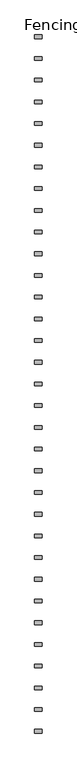
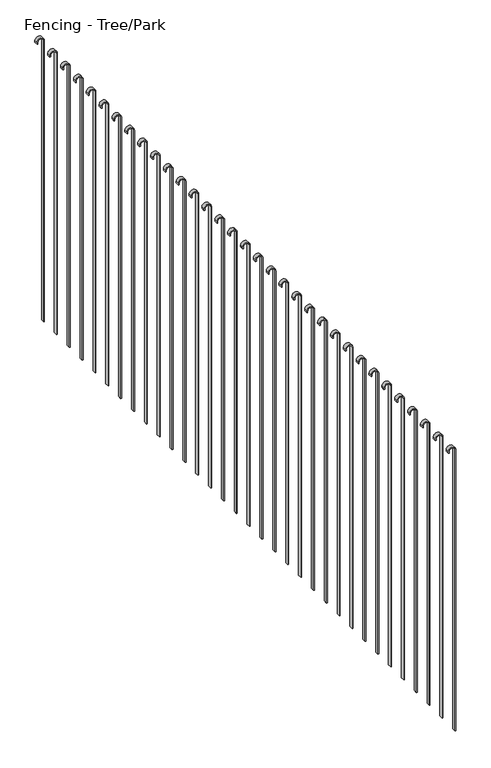
"""IFC4 building model written with IfcOpenShell, lengths in millimetres: railing geometry, Fencing - Tree/Park."""

from ifc_helpers import new_model, si_unit, point, frame, frame_2d, origin, place, context, project, spatial, polyline, circle_curve, trimmed, segment, composite_curve, outline, extrude, source, transform, mapped, element, save


def fencing_tree_park_e59613ba(model_context):
    return source(origin(), model_context, "Body", "SweptSolid", [
        extrude(outline(composite_curve([segment(trimmed(circle_curve(frame_2d((2050.0, 92317.6374119)), 25.0), [point((2050.0, 92342.6374119))], [point((2050.0, 92292.6374119))], False, "CARTESIAN"), True, "CONTINUOUS"), segment(polyline([(2050.0, 92292.6374119), (2040.0, 92292.6374119), (2040.0, 92297.6374119), (2050.0, 92297.6374119)]), True, "CONTINUOUS"), segment(trimmed(circle_curve(frame_2d((2050.0, 92317.6374119)), 20.0), [point((2050.0, 92297.6374119))], [point((2050.0, 92337.6374119))], True, "CARTESIAN"), True, "CONTINUOUS"), segment(polyline([(2050.0, 92337.6374119), (50.0, 92337.6374119), (50.0, 92342.6374119), (2050.0, 92342.6374119)]), True, "CONTINUOUS")], self_intersect=False)), frame((0.0, 55354.8438466, 0.0), z_axis=(0.0, 1.0, 0.0), x_axis=(0.0, 0.0, 1.0)), (0.0, 0.0, 1.0), 25.0),
        extrude(outline(composite_curve([segment(trimmed(circle_curve(frame_2d((2050.0, 92317.6374119)), 25.0), [point((2050.0, 92342.6374119))], [point((2050.0, 92292.6374119))], False, "CARTESIAN"), True, "CONTINUOUS"), segment(polyline([(2050.0, 92292.6374119), (2040.0, 92292.6374119), (2040.0, 92297.6374119), (2050.0, 92297.6374119)]), True, "CONTINUOUS"), segment(trimmed(circle_curve(frame_2d((2050.0, 92317.6374119)), 20.0), [point((2050.0, 92297.6374119))], [point((2050.0, 92337.6374119))], True, "CARTESIAN"), True, "CONTINUOUS"), segment(polyline([(2050.0, 92337.6374119), (50.0, 92337.6374119), (50.0, 92342.6374119), (2050.0, 92342.6374119)]), True, "CONTINUOUS")], self_intersect=False)), frame((0.0, 55204.8438466, 0.0), z_axis=(0.0, 1.0, 0.0), x_axis=(0.0, 0.0, 1.0)), (0.0, 0.0, 1.0), 25.0),
        extrude(outline(composite_curve([segment(trimmed(circle_curve(frame_2d((2050.0, 92317.6374119)), 25.0), [point((2050.0, 92342.6374119))], [point((2050.0, 92292.6374119))], False, "CARTESIAN"), True, "CONTINUOUS"), segment(polyline([(2050.0, 92292.6374119), (2040.0, 92292.6374119), (2040.0, 92297.6374119), (2050.0, 92297.6374119)]), True, "CONTINUOUS"), segment(trimmed(circle_curve(frame_2d((2050.0, 92317.6374119)), 20.0), [point((2050.0, 92297.6374119))], [point((2050.0, 92337.6374119))], True, "CARTESIAN"), True, "CONTINUOUS"), segment(polyline([(2050.0, 92337.6374119), (50.0, 92337.6374119), (50.0, 92342.6374119), (2050.0, 92342.6374119)]), True, "CONTINUOUS")], self_intersect=False)), frame((0.0, 55054.8438466, 0.0), z_axis=(0.0, 1.0, 0.0), x_axis=(0.0, 0.0, 1.0)), (0.0, 0.0, 1.0), 25.0),
        extrude(outline(composite_curve([segment(trimmed(circle_curve(frame_2d((2050.0, 92317.6374119)), 25.0), [point((2050.0, 92342.6374119))], [point((2050.0, 92292.6374119))], False, "CARTESIAN"), True, "CONTINUOUS"), segment(polyline([(2050.0, 92292.6374119), (2040.0, 92292.6374119), (2040.0, 92297.6374119), (2050.0, 92297.6374119)]), True, "CONTINUOUS"), segment(trimmed(circle_curve(frame_2d((2050.0, 92317.6374119)), 20.0), [point((2050.0, 92297.6374119))], [point((2050.0, 92337.6374119))], True, "CARTESIAN"), True, "CONTINUOUS"), segment(polyline([(2050.0, 92337.6374119), (50.0, 92337.6374119), (50.0, 92342.6374119), (2050.0, 92342.6374119)]), True, "CONTINUOUS")], self_intersect=False)), frame((0.0, 54904.8438466, 0.0), z_axis=(0.0, 1.0, 0.0), x_axis=(0.0, 0.0, 1.0)), (0.0, 0.0, 1.0), 25.0),
        extrude(outline(composite_curve([segment(trimmed(circle_curve(frame_2d((2050.0, 92317.6374119)), 25.0), [point((2050.0, 92342.6374119))], [point((2050.0, 92292.6374119))], False, "CARTESIAN"), True, "CONTINUOUS"), segment(polyline([(2050.0, 92292.6374119), (2040.0, 92292.6374119), (2040.0, 92297.6374119), (2050.0, 92297.6374119)]), True, "CONTINUOUS"), segment(trimmed(circle_curve(frame_2d((2050.0, 92317.6374119)), 20.0), [point((2050.0, 92297.6374119))], [point((2050.0, 92337.6374119))], True, "CARTESIAN"), True, "CONTINUOUS"), segment(polyline([(2050.0, 92337.6374119), (50.0, 92337.6374119), (50.0, 92342.6374119), (2050.0, 92342.6374119)]), True, "CONTINUOUS")], self_intersect=False)), frame((0.0, 54754.8438466, 0.0), z_axis=(0.0, 1.0, 0.0), x_axis=(0.0, 0.0, 1.0)), (0.0, 0.0, 1.0), 25.0),
        extrude(outline(composite_curve([segment(trimmed(circle_curve(frame_2d((2050.0, 92317.6374119)), 25.0), [point((2050.0, 92342.6374119))], [point((2050.0, 92292.6374119))], False, "CARTESIAN"), True, "CONTINUOUS"), segment(polyline([(2050.0, 92292.6374119), (2040.0, 92292.6374119), (2040.0, 92297.6374119), (2050.0, 92297.6374119)]), True, "CONTINUOUS"), segment(trimmed(circle_curve(frame_2d((2050.0, 92317.6374119)), 20.0), [point((2050.0, 92297.6374119))], [point((2050.0, 92337.6374119))], True, "CARTESIAN"), True, "CONTINUOUS"), segment(polyline([(2050.0, 92337.6374119), (50.0, 92337.6374119), (50.0, 92342.6374119), (2050.0, 92342.6374119)]), True, "CONTINUOUS")], self_intersect=False)), frame((0.0, 54604.8438466, 0.0), z_axis=(0.0, 1.0, 0.0), x_axis=(0.0, 0.0, 1.0)), (0.0, 0.0, 1.0), 25.0),
        extrude(outline(composite_curve([segment(trimmed(circle_curve(frame_2d((2050.0, 92317.6374119)), 25.0), [point((2050.0, 92342.6374119))], [point((2050.0, 92292.6374119))], False, "CARTESIAN"), True, "CONTINUOUS"), segment(polyline([(2050.0, 92292.6374119), (2040.0, 92292.6374119), (2040.0, 92297.6374119), (2050.0, 92297.6374119)]), True, "CONTINUOUS"), segment(trimmed(circle_curve(frame_2d((2050.0, 92317.6374119)), 20.0), [point((2050.0, 92297.6374119))], [point((2050.0, 92337.6374119))], True, "CARTESIAN"), True, "CONTINUOUS"), segment(polyline([(2050.0, 92337.6374119), (50.0, 92337.6374119), (50.0, 92342.6374119), (2050.0, 92342.6374119)]), True, "CONTINUOUS")], self_intersect=False)), frame((0.0, 54454.8438466, 0.0), z_axis=(0.0, 1.0, 0.0), x_axis=(0.0, 0.0, 1.0)), (0.0, 0.0, 1.0), 25.0),
        extrude(outline(composite_curve([segment(trimmed(circle_curve(frame_2d((2050.0, 92317.6374119)), 25.0), [point((2050.0, 92342.6374119))], [point((2050.0, 92292.6374119))], False, "CARTESIAN"), True, "CONTINUOUS"), segment(polyline([(2050.0, 92292.6374119), (2040.0, 92292.6374119), (2040.0, 92297.6374119), (2050.0, 92297.6374119)]), True, "CONTINUOUS"), segment(trimmed(circle_curve(frame_2d((2050.0, 92317.6374119)), 20.0), [point((2050.0, 92297.6374119))], [point((2050.0, 92337.6374119))], True, "CARTESIAN"), True, "CONTINUOUS"), segment(polyline([(2050.0, 92337.6374119), (50.0, 92337.6374119), (50.0, 92342.6374119), (2050.0, 92342.6374119)]), True, "CONTINUOUS")], self_intersect=False)), frame((0.0, 54304.8438466, 0.0), z_axis=(0.0, 1.0, 0.0), x_axis=(0.0, 0.0, 1.0)), (0.0, 0.0, 1.0), 25.0),
        extrude(outline(composite_curve([segment(trimmed(circle_curve(frame_2d((2050.0, 92317.6374119)), 25.0), [point((2050.0, 92342.6374119))], [point((2050.0, 92292.6374119))], False, "CARTESIAN"), True, "CONTINUOUS"), segment(polyline([(2050.0, 92292.6374119), (2040.0, 92292.6374119), (2040.0, 92297.6374119), (2050.0, 92297.6374119)]), True, "CONTINUOUS"), segment(trimmed(circle_curve(frame_2d((2050.0, 92317.6374119)), 20.0), [point((2050.0, 92297.6374119))], [point((2050.0, 92337.6374119))], True, "CARTESIAN"), True, "CONTINUOUS"), segment(polyline([(2050.0, 92337.6374119), (50.0, 92337.6374119), (50.0, 92342.6374119), (2050.0, 92342.6374119)]), True, "CONTINUOUS")], self_intersect=False)), frame((0.0, 54154.8438466, 0.0), z_axis=(0.0, 1.0, 0.0), x_axis=(0.0, 0.0, 1.0)), (0.0, 0.0, 1.0), 25.0),
        extrude(outline(composite_curve([segment(trimmed(circle_curve(frame_2d((2050.0, 92317.6374119)), 25.0), [point((2050.0, 92342.6374119))], [point((2050.0, 92292.6374119))], False, "CARTESIAN"), True, "CONTINUOUS"), segment(polyline([(2050.0, 92292.6374119), (2040.0, 92292.6374119), (2040.0, 92297.6374119), (2050.0, 92297.6374119)]), True, "CONTINUOUS"), segment(trimmed(circle_curve(frame_2d((2050.0, 92317.6374119)), 20.0), [point((2050.0, 92297.6374119))], [point((2050.0, 92337.6374119))], True, "CARTESIAN"), True, "CONTINUOUS"), segment(polyline([(2050.0, 92337.6374119), (50.0, 92337.6374119), (50.0, 92342.6374119), (2050.0, 92342.6374119)]), True, "CONTINUOUS")], self_intersect=False)), frame((0.0, 54004.8438466, 0.0), z_axis=(0.0, 1.0, 0.0), x_axis=(0.0, 0.0, 1.0)), (0.0, 0.0, 1.0), 25.0),
        extrude(outline(composite_curve([segment(trimmed(circle_curve(frame_2d((2050.0, 92317.6374119)), 25.0), [point((2050.0, 92342.6374119))], [point((2050.0, 92292.6374119))], False, "CARTESIAN"), True, "CONTINUOUS"), segment(polyline([(2050.0, 92292.6374119), (2040.0, 92292.6374119), (2040.0, 92297.6374119), (2050.0, 92297.6374119)]), True, "CONTINUOUS"), segment(trimmed(circle_curve(frame_2d((2050.0, 92317.6374119)), 20.0), [point((2050.0, 92297.6374119))], [point((2050.0, 92337.6374119))], True, "CARTESIAN"), True, "CONTINUOUS"), segment(polyline([(2050.0, 92337.6374119), (50.0, 92337.6374119), (50.0, 92342.6374119), (2050.0, 92342.6374119)]), True, "CONTINUOUS")], self_intersect=False)), frame((0.0, 53854.8438466, 0.0), z_axis=(0.0, 1.0, 0.0), x_axis=(0.0, 0.0, 1.0)), (0.0, 0.0, 1.0), 25.0),
        extrude(outline(composite_curve([segment(trimmed(circle_curve(frame_2d((2050.0, 92317.6374119)), 25.0), [point((2050.0, 92342.6374119))], [point((2050.0, 92292.6374119))], False, "CARTESIAN"), True, "CONTINUOUS"), segment(polyline([(2050.0, 92292.6374119), (2040.0, 92292.6374119), (2040.0, 92297.6374119), (2050.0, 92297.6374119)]), True, "CONTINUOUS"), segment(trimmed(circle_curve(frame_2d((2050.0, 92317.6374119)), 20.0), [point((2050.0, 92297.6374119))], [point((2050.0, 92337.6374119))], True, "CARTESIAN"), True, "CONTINUOUS"), segment(polyline([(2050.0, 92337.6374119), (50.0, 92337.6374119), (50.0, 92342.6374119), (2050.0, 92342.6374119)]), True, "CONTINUOUS")], self_intersect=False)), frame((0.0, 53704.8438466, 0.0), z_axis=(0.0, 1.0, 0.0), x_axis=(0.0, 0.0, 1.0)), (0.0, 0.0, 1.0), 25.0),
        extrude(outline(composite_curve([segment(trimmed(circle_curve(frame_2d((2050.0, 92317.6374119)), 25.0), [point((2050.0, 92342.6374119))], [point((2050.0, 92292.6374119))], False, "CARTESIAN"), True, "CONTINUOUS"), segment(polyline([(2050.0, 92292.6374119), (2040.0, 92292.6374119), (2040.0, 92297.6374119), (2050.0, 92297.6374119)]), True, "CONTINUOUS"), segment(trimmed(circle_curve(frame_2d((2050.0, 92317.6374119)), 20.0), [point((2050.0, 92297.6374119))], [point((2050.0, 92337.6374119))], True, "CARTESIAN"), True, "CONTINUOUS"), segment(polyline([(2050.0, 92337.6374119), (50.0, 92337.6374119), (50.0, 92342.6374119), (2050.0, 92342.6374119)]), True, "CONTINUOUS")], self_intersect=False)), frame((0.0, 53554.8438466, 0.0), z_axis=(0.0, 1.0, 0.0), x_axis=(0.0, 0.0, 1.0)), (0.0, 0.0, 1.0), 25.0),
        extrude(outline(composite_curve([segment(trimmed(circle_curve(frame_2d((2050.0, 92317.6374119)), 25.0), [point((2050.0, 92342.6374119))], [point((2050.0, 92292.6374119))], False, "CARTESIAN"), True, "CONTINUOUS"), segment(polyline([(2050.0, 92292.6374119), (2040.0, 92292.6374119), (2040.0, 92297.6374119), (2050.0, 92297.6374119)]), True, "CONTINUOUS"), segment(trimmed(circle_curve(frame_2d((2050.0, 92317.6374119)), 20.0), [point((2050.0, 92297.6374119))], [point((2050.0, 92337.6374119))], True, "CARTESIAN"), True, "CONTINUOUS"), segment(polyline([(2050.0, 92337.6374119), (50.0, 92337.6374119), (50.0, 92342.6374119), (2050.0, 92342.6374119)]), True, "CONTINUOUS")], self_intersect=False)), frame((0.0, 53404.8438466, 0.0), z_axis=(0.0, 1.0, 0.0), x_axis=(0.0, 0.0, 1.0)), (0.0, 0.0, 1.0), 25.0),
        extrude(outline(composite_curve([segment(trimmed(circle_curve(frame_2d((2050.0, 92317.6374119)), 25.0), [point((2050.0, 92342.6374119))], [point((2050.0, 92292.6374119))], False, "CARTESIAN"), True, "CONTINUOUS"), segment(polyline([(2050.0, 92292.6374119), (2040.0, 92292.6374119), (2040.0, 92297.6374119), (2050.0, 92297.6374119)]), True, "CONTINUOUS"), segment(trimmed(circle_curve(frame_2d((2050.0, 92317.6374119)), 20.0), [point((2050.0, 92297.6374119))], [point((2050.0, 92337.6374119))], True, "CARTESIAN"), True, "CONTINUOUS"), segment(polyline([(2050.0, 92337.6374119), (50.0, 92337.6374119), (50.0, 92342.6374119), (2050.0, 92342.6374119)]), True, "CONTINUOUS")], self_intersect=False)), frame((0.0, 53254.8438466, 0.0), z_axis=(0.0, 1.0, 0.0), x_axis=(0.0, 0.0, 1.0)), (0.0, 0.0, 1.0), 25.0),
        extrude(outline(composite_curve([segment(trimmed(circle_curve(frame_2d((2050.0, 92317.6374119)), 25.0), [point((2050.0, 92342.6374119))], [point((2050.0, 92292.6374119))], False, "CARTESIAN"), True, "CONTINUOUS"), segment(polyline([(2050.0, 92292.6374119), (2040.0, 92292.6374119), (2040.0, 92297.6374119), (2050.0, 92297.6374119)]), True, "CONTINUOUS"), segment(trimmed(circle_curve(frame_2d((2050.0, 92317.6374119)), 20.0), [point((2050.0, 92297.6374119))], [point((2050.0, 92337.6374119))], True, "CARTESIAN"), True, "CONTINUOUS"), segment(polyline([(2050.0, 92337.6374119), (50.0, 92337.6374119), (50.0, 92342.6374119), (2050.0, 92342.6374119)]), True, "CONTINUOUS")], self_intersect=False)), frame((0.0, 53104.8438466, 0.0), z_axis=(0.0, 1.0, 0.0), x_axis=(0.0, 0.0, 1.0)), (0.0, 0.0, 1.0), 25.0),
        extrude(outline(composite_curve([segment(trimmed(circle_curve(frame_2d((2050.0, 92317.6374119)), 25.0), [point((2050.0, 92342.6374119))], [point((2050.0, 92292.6374119))], False, "CARTESIAN"), True, "CONTINUOUS"), segment(polyline([(2050.0, 92292.6374119), (2040.0, 92292.6374119), (2040.0, 92297.6374119), (2050.0, 92297.6374119)]), True, "CONTINUOUS"), segment(trimmed(circle_curve(frame_2d((2050.0, 92317.6374119)), 20.0), [point((2050.0, 92297.6374119))], [point((2050.0, 92337.6374119))], True, "CARTESIAN"), True, "CONTINUOUS"), segment(polyline([(2050.0, 92337.6374119), (50.0, 92337.6374119), (50.0, 92342.6374119), (2050.0, 92342.6374119)]), True, "CONTINUOUS")], self_intersect=False)), frame((0.0, 52954.8438466, 0.0), z_axis=(0.0, 1.0, 0.0), x_axis=(0.0, 0.0, 1.0)), (0.0, 0.0, 1.0), 25.0),
        extrude(outline(composite_curve([segment(trimmed(circle_curve(frame_2d((2050.0, 92317.6374119)), 25.0), [point((2050.0, 92342.6374119))], [point((2050.0, 92292.6374119))], False, "CARTESIAN"), True, "CONTINUOUS"), segment(polyline([(2050.0, 92292.6374119), (2040.0, 92292.6374119), (2040.0, 92297.6374119), (2050.0, 92297.6374119)]), True, "CONTINUOUS"), segment(trimmed(circle_curve(frame_2d((2050.0, 92317.6374119)), 20.0), [point((2050.0, 92297.6374119))], [point((2050.0, 92337.6374119))], True, "CARTESIAN"), True, "CONTINUOUS"), segment(polyline([(2050.0, 92337.6374119), (50.0, 92337.6374119), (50.0, 92342.6374119), (2050.0, 92342.6374119)]), True, "CONTINUOUS")], self_intersect=False)), frame((0.0, 52804.8438466, 0.0), z_axis=(0.0, 1.0, 0.0), x_axis=(0.0, 0.0, 1.0)), (0.0, 0.0, 1.0), 25.0),
        extrude(outline(composite_curve([segment(trimmed(circle_curve(frame_2d((2050.0, 92317.6374119)), 25.0), [point((2050.0, 92342.6374119))], [point((2050.0, 92292.6374119))], False, "CARTESIAN"), True, "CONTINUOUS"), segment(polyline([(2050.0, 92292.6374119), (2040.0, 92292.6374119), (2040.0, 92297.6374119), (2050.0, 92297.6374119)]), True, "CONTINUOUS"), segment(trimmed(circle_curve(frame_2d((2050.0, 92317.6374119)), 20.0), [point((2050.0, 92297.6374119))], [point((2050.0, 92337.6374119))], True, "CARTESIAN"), True, "CONTINUOUS"), segment(polyline([(2050.0, 92337.6374119), (50.0, 92337.6374119), (50.0, 92342.6374119), (2050.0, 92342.6374119)]), True, "CONTINUOUS")], self_intersect=False)), frame((0.0, 52654.8438466, 0.0), z_axis=(0.0, 1.0, 0.0), x_axis=(0.0, 0.0, 1.0)), (0.0, 0.0, 1.0), 25.0),
        extrude(outline(composite_curve([segment(trimmed(circle_curve(frame_2d((2050.0, 92317.6374119)), 25.0), [point((2050.0, 92342.6374119))], [point((2050.0, 92292.6374119))], False, "CARTESIAN"), True, "CONTINUOUS"), segment(polyline([(2050.0, 92292.6374119), (2040.0, 92292.6374119), (2040.0, 92297.6374119), (2050.0, 92297.6374119)]), True, "CONTINUOUS"), segment(trimmed(circle_curve(frame_2d((2050.0, 92317.6374119)), 20.0), [point((2050.0, 92297.6374119))], [point((2050.0, 92337.6374119))], True, "CARTESIAN"), True, "CONTINUOUS"), segment(polyline([(2050.0, 92337.6374119), (50.0, 92337.6374119), (50.0, 92342.6374119), (2050.0, 92342.6374119)]), True, "CONTINUOUS")], self_intersect=False)), frame((0.0, 52504.8438466, 0.0), z_axis=(0.0, 1.0, 0.0), x_axis=(0.0, 0.0, 1.0)), (0.0, 0.0, 1.0), 25.0),
        extrude(outline(composite_curve([segment(trimmed(circle_curve(frame_2d((2050.0, 92317.6374119)), 25.0), [point((2050.0, 92342.6374119))], [point((2050.0, 92292.6374119))], False, "CARTESIAN"), True, "CONTINUOUS"), segment(polyline([(2050.0, 92292.6374119), (2040.0, 92292.6374119), (2040.0, 92297.6374119), (2050.0, 92297.6374119)]), True, "CONTINUOUS"), segment(trimmed(circle_curve(frame_2d((2050.0, 92317.6374119)), 20.0), [point((2050.0, 92297.6374119))], [point((2050.0, 92337.6374119))], True, "CARTESIAN"), True, "CONTINUOUS"), segment(polyline([(2050.0, 92337.6374119), (50.0, 92337.6374119), (50.0, 92342.6374119), (2050.0, 92342.6374119)]), True, "CONTINUOUS")], self_intersect=False)), frame((0.0, 52354.8438466, 0.0), z_axis=(0.0, 1.0, 0.0), x_axis=(0.0, 0.0, 1.0)), (0.0, 0.0, 1.0), 25.0),
        extrude(outline(composite_curve([segment(trimmed(circle_curve(frame_2d((2050.0, 92317.6374119)), 25.0), [point((2050.0, 92342.6374119))], [point((2050.0, 92292.6374119))], False, "CARTESIAN"), True, "CONTINUOUS"), segment(polyline([(2050.0, 92292.6374119), (2040.0, 92292.6374119), (2040.0, 92297.6374119), (2050.0, 92297.6374119)]), True, "CONTINUOUS"), segment(trimmed(circle_curve(frame_2d((2050.0, 92317.6374119)), 20.0), [point((2050.0, 92297.6374119))], [point((2050.0, 92337.6374119))], True, "CARTESIAN"), True, "CONTINUOUS"), segment(polyline([(2050.0, 92337.6374119), (50.0, 92337.6374119), (50.0, 92342.6374119), (2050.0, 92342.6374119)]), True, "CONTINUOUS")], self_intersect=False)), frame((0.0, 52204.8438466, 0.0), z_axis=(0.0, 1.0, 0.0), x_axis=(0.0, 0.0, 1.0)), (0.0, 0.0, 1.0), 25.0),
        extrude(outline(composite_curve([segment(trimmed(circle_curve(frame_2d((2050.0, 92317.6374119)), 25.0), [point((2050.0, 92342.6374119))], [point((2050.0, 92292.6374119))], False, "CARTESIAN"), True, "CONTINUOUS"), segment(polyline([(2050.0, 92292.6374119), (2040.0, 92292.6374119), (2040.0, 92297.6374119), (2050.0, 92297.6374119)]), True, "CONTINUOUS"), segment(trimmed(circle_curve(frame_2d((2050.0, 92317.6374119)), 20.0), [point((2050.0, 92297.6374119))], [point((2050.0, 92337.6374119))], True, "CARTESIAN"), True, "CONTINUOUS"), segment(polyline([(2050.0, 92337.6374119), (50.0, 92337.6374119), (50.0, 92342.6374119), (2050.0, 92342.6374119)]), True, "CONTINUOUS")], self_intersect=False)), frame((0.0, 52054.8438466, 0.0), z_axis=(0.0, 1.0, 0.0), x_axis=(0.0, 0.0, 1.0)), (0.0, 0.0, 1.0), 25.0),
        extrude(outline(composite_curve([segment(trimmed(circle_curve(frame_2d((2050.0, 92317.6374119)), 25.0), [point((2050.0, 92342.6374119))], [point((2050.0, 92292.6374119))], False, "CARTESIAN"), True, "CONTINUOUS"), segment(polyline([(2050.0, 92292.6374119), (2040.0, 92292.6374119), (2040.0, 92297.6374119), (2050.0, 92297.6374119)]), True, "CONTINUOUS"), segment(trimmed(circle_curve(frame_2d((2050.0, 92317.6374119)), 20.0), [point((2050.0, 92297.6374119))], [point((2050.0, 92337.6374119))], True, "CARTESIAN"), True, "CONTINUOUS"), segment(polyline([(2050.0, 92337.6374119), (50.0, 92337.6374119), (50.0, 92342.6374119), (2050.0, 92342.6374119)]), True, "CONTINUOUS")], self_intersect=False)), frame((0.0, 51904.8438466, 0.0), z_axis=(0.0, 1.0, 0.0), x_axis=(0.0, 0.0, 1.0)), (0.0, 0.0, 1.0), 25.0),
        extrude(outline(composite_curve([segment(trimmed(circle_curve(frame_2d((2050.0, 92317.6374119)), 25.0), [point((2050.0, 92342.6374119))], [point((2050.0, 92292.6374119))], False, "CARTESIAN"), True, "CONTINUOUS"), segment(polyline([(2050.0, 92292.6374119), (2040.0, 92292.6374119), (2040.0, 92297.6374119), (2050.0, 92297.6374119)]), True, "CONTINUOUS"), segment(trimmed(circle_curve(frame_2d((2050.0, 92317.6374119)), 20.0), [point((2050.0, 92297.6374119))], [point((2050.0, 92337.6374119))], True, "CARTESIAN"), True, "CONTINUOUS"), segment(polyline([(2050.0, 92337.6374119), (50.0, 92337.6374119), (50.0, 92342.6374119), (2050.0, 92342.6374119)]), True, "CONTINUOUS")], self_intersect=False)), frame((0.0, 51754.8438466, 0.0), z_axis=(0.0, 1.0, 0.0), x_axis=(0.0, 0.0, 1.0)), (0.0, 0.0, 1.0), 25.0),
        extrude(outline(composite_curve([segment(trimmed(circle_curve(frame_2d((2050.0, 92317.6374119)), 25.0), [point((2050.0, 92342.6374119))], [point((2050.0, 92292.6374119))], False, "CARTESIAN"), True, "CONTINUOUS"), segment(polyline([(2050.0, 92292.6374119), (2040.0, 92292.6374119), (2040.0, 92297.6374119), (2050.0, 92297.6374119)]), True, "CONTINUOUS"), segment(trimmed(circle_curve(frame_2d((2050.0, 92317.6374119)), 20.0), [point((2050.0, 92297.6374119))], [point((2050.0, 92337.6374119))], True, "CARTESIAN"), True, "CONTINUOUS"), segment(polyline([(2050.0, 92337.6374119), (50.0, 92337.6374119), (50.0, 92342.6374119), (2050.0, 92342.6374119)]), True, "CONTINUOUS")], self_intersect=False)), frame((0.0, 51604.8438466, 0.0), z_axis=(0.0, 1.0, 0.0), x_axis=(0.0, 0.0, 1.0)), (0.0, 0.0, 1.0), 25.0),
        extrude(outline(composite_curve([segment(trimmed(circle_curve(frame_2d((2050.0, 92317.6374119)), 25.0), [point((2050.0, 92342.6374119))], [point((2050.0, 92292.6374119))], False, "CARTESIAN"), True, "CONTINUOUS"), segment(polyline([(2050.0, 92292.6374119), (2040.0, 92292.6374119), (2040.0, 92297.6374119), (2050.0, 92297.6374119)]), True, "CONTINUOUS"), segment(trimmed(circle_curve(frame_2d((2050.0, 92317.6374119)), 20.0), [point((2050.0, 92297.6374119))], [point((2050.0, 92337.6374119))], True, "CARTESIAN"), True, "CONTINUOUS"), segment(polyline([(2050.0, 92337.6374119), (50.0, 92337.6374119), (50.0, 92342.6374119), (2050.0, 92342.6374119)]), True, "CONTINUOUS")], self_intersect=False)), frame((0.0, 51454.8438466, 0.0), z_axis=(0.0, 1.0, 0.0), x_axis=(0.0, 0.0, 1.0)), (0.0, 0.0, 1.0), 25.0),
        extrude(outline(composite_curve([segment(trimmed(circle_curve(frame_2d((2050.0, 92317.6374119)), 25.0), [point((2050.0, 92342.6374119))], [point((2050.0, 92292.6374119))], False, "CARTESIAN"), True, "CONTINUOUS"), segment(polyline([(2050.0, 92292.6374119), (2040.0, 92292.6374119), (2040.0, 92297.6374119), (2050.0, 92297.6374119)]), True, "CONTINUOUS"), segment(trimmed(circle_curve(frame_2d((2050.0, 92317.6374119)), 20.0), [point((2050.0, 92297.6374119))], [point((2050.0, 92337.6374119))], True, "CARTESIAN"), True, "CONTINUOUS"), segment(polyline([(2050.0, 92337.6374119), (50.0, 92337.6374119), (50.0, 92342.6374119), (2050.0, 92342.6374119)]), True, "CONTINUOUS")], self_intersect=False)), frame((0.0, 51304.8438466, 0.0), z_axis=(0.0, 1.0, 0.0), x_axis=(0.0, 0.0, 1.0)), (0.0, 0.0, 1.0), 25.0),
        extrude(outline(composite_curve([segment(trimmed(circle_curve(frame_2d((2050.0, 92317.6374119)), 25.0), [point((2050.0, 92342.6374119))], [point((2050.0, 92292.6374119))], False, "CARTESIAN"), True, "CONTINUOUS"), segment(polyline([(2050.0, 92292.6374119), (2040.0, 92292.6374119), (2040.0, 92297.6374119), (2050.0, 92297.6374119)]), True, "CONTINUOUS"), segment(trimmed(circle_curve(frame_2d((2050.0, 92317.6374119)), 20.0), [point((2050.0, 92297.6374119))], [point((2050.0, 92337.6374119))], True, "CARTESIAN"), True, "CONTINUOUS"), segment(polyline([(2050.0, 92337.6374119), (50.0, 92337.6374119), (50.0, 92342.6374119), (2050.0, 92342.6374119)]), True, "CONTINUOUS")], self_intersect=False)), frame((0.0, 51154.8438466, 0.0), z_axis=(0.0, 1.0, 0.0), x_axis=(0.0, 0.0, 1.0)), (0.0, 0.0, 1.0), 25.0),
        extrude(outline(composite_curve([segment(trimmed(circle_curve(frame_2d((2050.0, 92317.6374119)), 25.0), [point((2050.0, 92342.6374119))], [point((2050.0, 92292.6374119))], False, "CARTESIAN"), True, "CONTINUOUS"), segment(polyline([(2050.0, 92292.6374119), (2040.0, 92292.6374119), (2040.0, 92297.6374119), (2050.0, 92297.6374119)]), True, "CONTINUOUS"), segment(trimmed(circle_curve(frame_2d((2050.0, 92317.6374119)), 20.0), [point((2050.0, 92297.6374119))], [point((2050.0, 92337.6374119))], True, "CARTESIAN"), True, "CONTINUOUS"), segment(polyline([(2050.0, 92337.6374119), (50.0, 92337.6374119), (50.0, 92342.6374119), (2050.0, 92342.6374119)]), True, "CONTINUOUS")], self_intersect=False)), frame((0.0, 51004.8438466, 0.0), z_axis=(0.0, 1.0, 0.0), x_axis=(0.0, 0.0, 1.0)), (0.0, 0.0, 1.0), 25.0),
        extrude(outline(composite_curve([segment(trimmed(circle_curve(frame_2d((2050.0, 92317.6374119)), 25.0), [point((2050.0, 92342.6374119))], [point((2050.0, 92292.6374119))], False, "CARTESIAN"), True, "CONTINUOUS"), segment(polyline([(2050.0, 92292.6374119), (2040.0, 92292.6374119), (2040.0, 92297.6374119), (2050.0, 92297.6374119)]), True, "CONTINUOUS"), segment(trimmed(circle_curve(frame_2d((2050.0, 92317.6374119)), 20.0), [point((2050.0, 92297.6374119))], [point((2050.0, 92337.6374119))], True, "CARTESIAN"), True, "CONTINUOUS"), segment(polyline([(2050.0, 92337.6374119), (50.0, 92337.6374119), (50.0, 92342.6374119), (2050.0, 92342.6374119)]), True, "CONTINUOUS")], self_intersect=False)), frame((0.0, 50854.8438466, 0.0), z_axis=(0.0, 1.0, 0.0), x_axis=(0.0, 0.0, 1.0)), (0.0, 0.0, 1.0), 25.0),
        extrude(outline(composite_curve([segment(trimmed(circle_curve(frame_2d((2050.0, 92317.6374119)), 25.0), [point((2050.0, 92342.6374119))], [point((2050.0, 92292.6374119))], False, "CARTESIAN"), True, "CONTINUOUS"), segment(polyline([(2050.0, 92292.6374119), (2040.0, 92292.6374119), (2040.0, 92297.6374119), (2050.0, 92297.6374119)]), True, "CONTINUOUS"), segment(trimmed(circle_curve(frame_2d((2050.0, 92317.6374119)), 20.0), [point((2050.0, 92297.6374119))], [point((2050.0, 92337.6374119))], True, "CARTESIAN"), True, "CONTINUOUS"), segment(polyline([(2050.0, 92337.6374119), (50.0, 92337.6374119), (50.0, 92342.6374119), (2050.0, 92342.6374119)]), True, "CONTINUOUS")], self_intersect=False)), frame((0.0, 50704.8438466, 0.0), z_axis=(0.0, 1.0, 0.0), x_axis=(0.0, 0.0, 1.0)), (0.0, 0.0, 1.0), 25.0),
        extrude(outline(composite_curve([segment(trimmed(circle_curve(frame_2d((2050.0, 92317.6374119)), 25.0), [point((2050.0, 92342.6374119))], [point((2050.0, 92292.6374119))], False, "CARTESIAN"), True, "CONTINUOUS"), segment(polyline([(2050.0, 92292.6374119), (2040.0, 92292.6374119), (2040.0, 92297.6374119), (2050.0, 92297.6374119)]), True, "CONTINUOUS"), segment(trimmed(circle_curve(frame_2d((2050.0, 92317.6374119)), 20.0), [point((2050.0, 92297.6374119))], [point((2050.0, 92337.6374119))], True, "CARTESIAN"), True, "CONTINUOUS"), segment(polyline([(2050.0, 92337.6374119), (50.0, 92337.6374119), (50.0, 92342.6374119), (2050.0, 92342.6374119)]), True, "CONTINUOUS")], self_intersect=False)), frame((0.0, 50554.8438466, 0.0), z_axis=(0.0, 1.0, 0.0), x_axis=(0.0, 0.0, 1.0)), (0.0, 0.0, 1.0), 25.0),
    ])


if __name__ == "__main__":
    model = new_model("IFC4")
    model_context = context("Model", 3, world=origin())
    ifc_project = project(units=[si_unit("LENGTHUNIT", "METRE", prefix="MILLI")], contexts=[model_context])
    site = spatial("IfcSite", under=ifc_project)
    building = spatial("IfcBuilding", under=site)
    placement = place(None, origin())
    fencing_tree_park_shape = fencing_tree_park_e59613ba(model_context)
    element("IfcRailing", 1, ObjectType="Fencing - Tree/Park", at=placement, inside=building, context=model_context, shape_type="MappedRepresentation", body=[
        mapped(fencing_tree_park_shape, transform((0.0, 0.0, 0.0), x_axis=(1.0, 0.0, 0.0), y_axis=(0.0, 1.0, 0.0), z_axis=(0.0, 0.0, 1.0))),
    ])
    save(model, "model.ifc")
